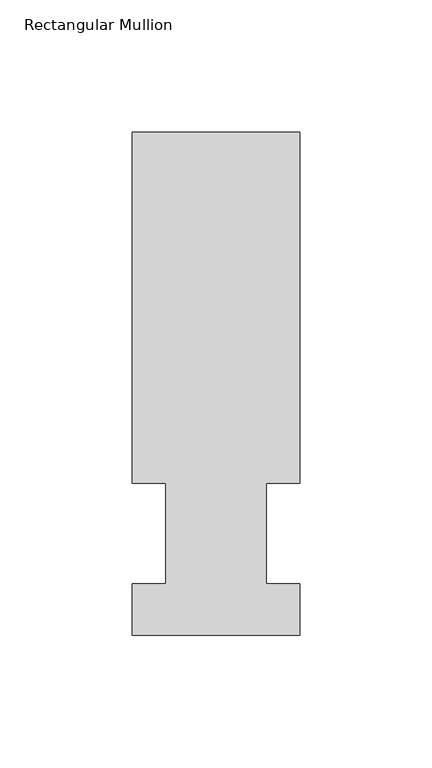
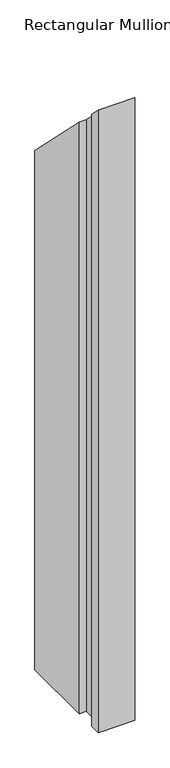
"""IFC4 building model written with IfcOpenShell, lengths in millimetres: member geometry, Rectangular Mullion."""

from ifc_helpers import new_model, si_unit, origin, place, context, project, spatial, faceted_brep, source, transform, mapped, element, save


def rectangular_mullion_ab072fe3(model_context):
    return source(origin(), model_context, "Body", "Brep", [
        faceted_brep([(-63.5, 57.6460937, -1143.0134937), (-63.5, 190.5896938, -1143.0134937), (0.0, 190.5896938, -1143.0134937), (0.0, 57.6460937, -1143.0134937), (-12.6873, 57.6460937, -1143.0134937), (-12.6873, 19.5460938, -1143.0134937), (0.0, 19.5460938, -1143.0134937), (0.0, 0.0134938, -1143.0134937), (-63.5, 0.0134938, -1143.0134937), (-63.5, 19.5460938, -1143.0134937), (-50.8, 19.5460938, -1143.0134937), (-50.8, 57.6460937, -1143.0134937), (-50.8, 57.6460937, -57.6460938), (-63.5, 57.6460937, -57.6460938), (-50.8, 19.5460938, -19.5460938), (-63.5, 19.5460938, -19.5460938), (-63.5, 0.0134938, -0.0134938), (0.0, 0.0134938, -0.0134938), (0.0, 19.5460938, -19.5460938), (-12.6873, 19.5460938, -19.5460938), (-12.6873, 57.6460937, -57.6460938), (0.0, 57.6460937, -57.6460938), (0.0, 190.5896938, -190.5896938), (-63.5, 190.5896938, -190.5896938)], [[[0, 1, 2, 3, 4, 5, 6, 7, 8, 9, 10, 11]], [[12, 13, 0, 11]], [[14, 12, 11, 10]], [[15, 14, 10, 9]], [[16, 15, 9, 8]], [[17, 16, 8, 7]], [[18, 17, 7, 6]], [[19, 18, 6, 5]], [[20, 19, 5, 4]], [[21, 20, 4, 3]], [[22, 21, 3, 2]], [[23, 22, 2, 1]], [[13, 23, 1, 0]], [[13, 12, 14, 15, 16, 17, 18, 19, 20, 21, 22, 23]]]),
    ])


if __name__ == "__main__":
    model = new_model("IFC4")
    model_context = context("Model", 3, world=origin())
    ifc_project = project(units=[si_unit("LENGTHUNIT", "METRE", prefix="MILLI")], contexts=[model_context])
    site = spatial("IfcSite", under=ifc_project)
    building = spatial("IfcBuilding", under=site)
    placement = place(None, origin())
    rectangular_mullion_shape = rectangular_mullion_ab072fe3(model_context)
    element("IfcMember", 1, ObjectType="Rectangular Mullion", at=placement, inside=building, context=model_context, shape_type="MappedRepresentation", body=[
        mapped(rectangular_mullion_shape, transform((0.0, 0.0, 0.0), x_axis=(1.0, 0.0, 0.0), y_axis=(0.0, 1.0, 0.0), z_axis=(0.0, 0.0, 1.0))),
    ])
    save(model, "model.ifc")
